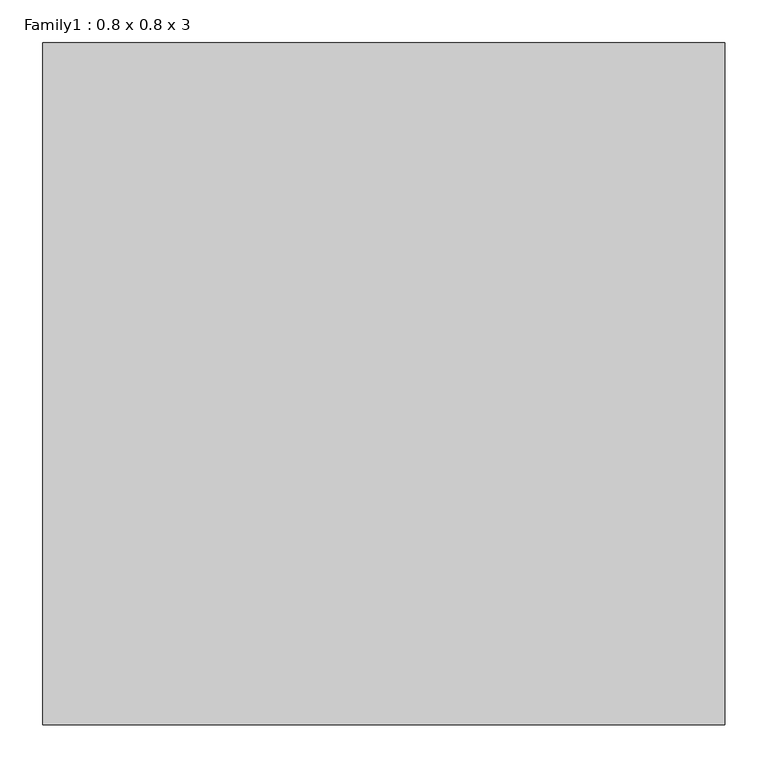
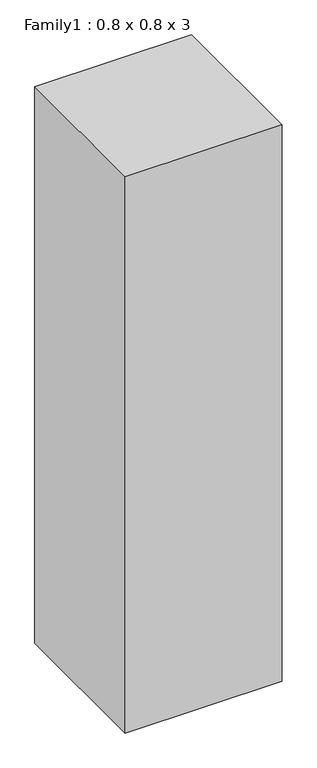
"""IFC4 building model written with IfcOpenShell, lengths in millimetres: proxy geometry, Family1 : 0.8 x 0.8 x 3."""

from ifc_helpers import new_model, si_unit, origin, origin_with_axes, place, context, project, spatial, polyline, outline, extrude, source, transform, mapped, element, save


def family1_0_8_x_0_8_x_3_d05b49e7(model_context):
    return source(origin(), model_context, "Body", "SweptSolid", [
        extrude(outline(polyline([(200.0, -600.0), (-600.0, -600.0), (-600.0, 200.0), (200.0, 200.0), (200.0, -600.0)])), origin_with_axes(), (0.0, 0.0, 1.0), 3000.0),
    ])


if __name__ == "__main__":
    model = new_model("IFC4")
    model_context = context("Model", 3, world=origin())
    ifc_project = project(units=[si_unit("LENGTHUNIT", "METRE", prefix="MILLI")], contexts=[model_context])
    site = spatial("IfcSite", under=ifc_project)
    building = spatial("IfcBuilding", under=site)
    placement = place(None, origin())
    family1_0_8_x_0_8_x_3_shape = family1_0_8_x_0_8_x_3_d05b49e7(model_context)
    element("IfcBuildingElementProxy", 1, Name="Family1 : 0.8 x 0.8 x 3", ObjectType="Family1 : 0.8 x 0.8 x 3", at=placement, inside=building, context=model_context, shape_type="MappedRepresentation", body=[
        mapped(family1_0_8_x_0_8_x_3_shape, transform((0.0, 0.0, 0.0), x_axis=(1.0, 0.0, 0.0), y_axis=(0.0, 1.0, 0.0), z_axis=(0.0, 0.0, 1.0))),
    ])
    save(model, "model.ifc")
